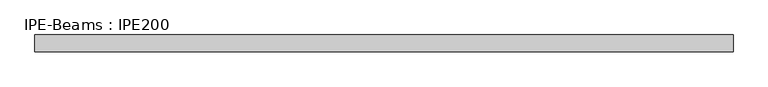
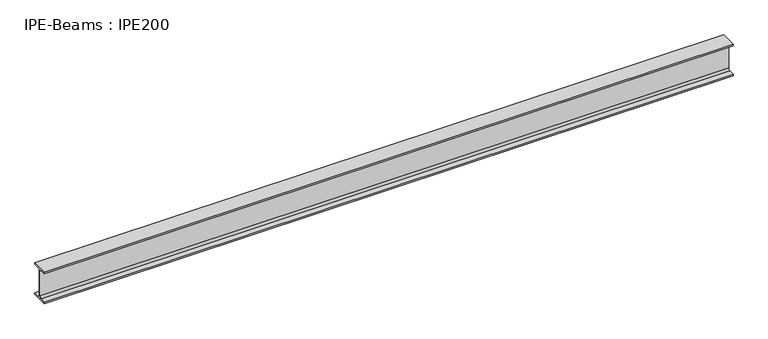
"""IFC4 building model written with IfcOpenShell, lengths in millimetres: beam geometry, IPE-Beams : IPE200."""

import ifcopenshell
import ifcopenshell.guid

model = None  # the IFC model being written
_history = None  # IfcOwnerHistory: only IFC2X3 demands one
_inside = {}  # id of a spatial element -> (the spatial element, [elements in it])
_under = {}  # id of a project, library or spatial element -> (it, [spatial elements below it])
_declared = {}  # id of a project -> (the project, [libraries it declares])
_typed = {}  # id of a type object -> (the type object, [elements of that type])
_made_of = {}  # id of a material, layer set ... -> (it, [elements and type objects made of it])


def new_model(schema):
    """Start an empty IFC model of exactly this schema.

    Asked for "IFC4X3", IfcOpenShell would pick the latest addendum, in which some entities
    have other attributes; the version numbers below select the first issue.
    IFC2X3 requires an IfcOwnerHistory on every rooted entity: one is made here for all.
    """
    global model, _history
    if schema == "IFC4X3":
        model = ifcopenshell.file(schema_version=(4, 3, 0, 0))
    else:
        model = ifcopenshell.file(schema=schema)
    _inside.clear()
    _under.clear()
    _declared.clear()
    _typed.clear()
    _made_of.clear()
    _history = None
    if model.schema == "IFC2X3":
        org = make("IfcOrganization", Name="unknown")
        user = make(
            "IfcPersonAndOrganization",
            ThePerson=make("IfcPerson", FamilyName="unknown"),
            TheOrganization=org,
        )
        app = make(
            "IfcApplication",
            ApplicationDeveloper=org,
            Version="unknown",
            ApplicationFullName="unknown",
            ApplicationIdentifier="unknown",
        )
        _history = make(
            "IfcOwnerHistory",
            OwningUser=user,
            OwningApplication=app,
            ChangeAction="ADDED",
            CreationDate=0,
        )
    return model


def make(cls, **values):
    """One entity of the class cls with the attributes given. An attribute that is None is left unset."""
    return model.create_entity(
        cls, **{name: value for name, value in values.items() if value is not None}
    )


def rooted(cls, **values):
    """An entity with a GlobalId (a new one), such as an element, a storey or a relation."""
    return make(cls, GlobalId=ifcopenshell.guid.new(), OwnerHistory=_history, **values)


def si_unit(unit_type, name, prefix=None):
    """IfcSIUnit, for example si_unit("LENGTHUNIT", "METRE", prefix="MILLI")."""
    return make("IfcSIUnit", UnitType=unit_type, Prefix=prefix, Name=name)


def assignment(units):
    """IfcUnitAssignment: the units of a project."""
    return None if units is None else make("IfcUnitAssignment", Units=units)


def point(xyz):
    """IfcCartesianPoint."""
    return None if xyz is None else make("IfcCartesianPoint", Coordinates=xyz)


def direction(xyz):
    """IfcDirection."""
    return None if xyz is None else make("IfcDirection", DirectionRatios=xyz)


def frame(location, z_axis=None, x_axis=None):
    """IfcAxis2Placement3D, a coordinate frame: its origin and axes. An axis left out is left unset."""
    return make(
        "IfcAxis2Placement3D",
        Location=point(location),
        Axis=direction(z_axis),
        RefDirection=direction(x_axis),
    )


def frame_2d(location, x_axis=None):
    """IfcAxis2Placement2D, a coordinate frame in the plane: its origin and x axis."""
    return make(
        "IfcAxis2Placement2D", Location=point(location), RefDirection=direction(x_axis)
    )


def origin():
    """The frame at (0, 0, 0) with its axes left unset."""
    return frame((0.0, 0.0, 0.0))


def place(relative_to, where):
    """IfcLocalPlacement: puts the frame where relative to a parent placement (None: the world)."""
    return make(
        "IfcLocalPlacement", PlacementRelTo=relative_to, RelativePlacement=where
    )


def context(
    kind, dimensions, precision=None, world=None, true_north=None, identifier=None
):
    """IfcGeometricRepresentationContext, for example the 3D "Model" context."""
    return make(
        "IfcGeometricRepresentationContext",
        ContextIdentifier=identifier,
        ContextType=kind,
        CoordinateSpaceDimension=dimensions,
        Precision=precision,
        WorldCoordinateSystem=world,
        TrueNorth=true_north,
    )


def project(units=None, contexts=None):
    """IfcProject with its units and contexts."""
    return rooted(
        "IfcProject",
        Name="project",
        RepresentationContexts=contexts,
        UnitsInContext=assignment(units),
    )


def spatial(cls, under=None, at=None, **own):
    """A site, building, storey or space (cls), placed at a placement, below another one or the project."""
    s = rooted(cls, ObjectPlacement=at, **own)
    if under is not None:
        _under.setdefault(under.id(), (under, []))[1].append(s)
    return s


def polyline(points):
    """IfcPolyline through the points."""
    return make("IfcPolyline", Points=[point(p) for p in points])


def circle_curve(where, radius):
    """IfcCircle in the frame where."""
    return make("IfcCircle", Position=where, Radius=radius)


def trimmed(basis, trim1, trim2, sense, master):
    """IfcTrimmedCurve: the piece of a basis curve between two trims."""
    return make(
        "IfcTrimmedCurve",
        BasisCurve=basis,
        Trim1=trim1,
        Trim2=trim2,
        SenseAgreement=sense,
        MasterRepresentation=master,
    )


def segment(curve, same_sense, transition):
    """IfcCompositeCurveSegment."""
    return make(
        "IfcCompositeCurveSegment",
        Transition=transition,
        SameSense=same_sense,
        ParentCurve=curve,
    )


def composite_curve(segments, self_intersect=None):
    """IfcCompositeCurve: segments joined end to end."""
    return make("IfcCompositeCurve", Segments=segments, SelfIntersect=self_intersect)


def outline(outer, holes=None, kind="AREA"):
    """IfcArbitraryClosedProfileDef: a profile drawn as a closed curve; with holes, ...WithVoids."""
    if holes is None:
        return make("IfcArbitraryClosedProfileDef", ProfileType=kind, OuterCurve=outer)
    return make(
        "IfcArbitraryProfileDefWithVoids",
        ProfileType=kind,
        OuterCurve=outer,
        InnerCurves=holes,
    )


def extrude(swept, where, along, depth):
    """IfcExtrudedAreaSolid: the profile swept, set in the frame where, extruded along a direction by depth."""
    return make(
        "IfcExtrudedAreaSolid",
        SweptArea=swept,
        Position=where,
        ExtrudedDirection=direction(along),
        Depth=depth,
    )


def shape(context_of_items, identifier, shape_type, items):
    """IfcShapeRepresentation: the items that make up one representation, for example the "Body"."""
    return make(
        "IfcShapeRepresentation",
        ContextOfItems=context_of_items,
        RepresentationIdentifier=identifier,
        RepresentationType=shape_type,
        Items=items,
    )


def source(mapping_origin, context_of_items, identifier, shape_type, items):
    """IfcRepresentationMap: a shape defined once, which mapped items show again and again."""
    return make(
        "IfcRepresentationMap",
        MappingOrigin=mapping_origin,
        MappedRepresentation=shape(context_of_items, identifier, shape_type, items),
    )


def transform(
    local_origin,
    x_axis=None,
    y_axis=None,
    z_axis=None,
    scale=None,
    scale2=None,
    scale3=None,
    uniform=True,
):
    """IfcCartesianTransformationOperator3D, or its non-uniform kind. x_axis, y_axis, z_axis: its Axis1, 2, 3."""
    if uniform:
        return make(
            "IfcCartesianTransformationOperator3D",
            Axis1=direction(x_axis),
            Axis2=direction(y_axis),
            LocalOrigin=point(local_origin),
            Scale=scale,
            Axis3=direction(z_axis),
        )
    return make(
        "IfcCartesianTransformationOperator3DnonUniform",
        Axis1=direction(x_axis),
        Axis2=direction(y_axis),
        LocalOrigin=point(local_origin),
        Scale=scale,
        Axis3=direction(z_axis),
        Scale2=scale2,
        Scale3=scale3,
    )


def mapped(mapping_source, mapping_target):
    """IfcMappedItem: shows the shape of a source again, moved by a transform."""
    return make(
        "IfcMappedItem", MappingSource=mapping_source, MappingTarget=mapping_target
    )


def made_of(thing, what):
    """Note that an element or type object is made of a material, layer set ...; save() writes the relation."""
    if what is not None:
        _made_of.setdefault(what.id(), (what, []))[1].append(thing)
    return thing


def element(
    cls,
    number,
    at=None,
    inside=None,
    cuts=None,
    type_object=None,
    material=None,
    context=None,
    identifier="Body",
    shape_type=None,
    held_by="IfcProductDefinitionShape",
    body=None,
    shapes=None,
    **own,
):
    """One element of the class cls, such as IfcWall. Its Tag is "e" and its number.

    at: its placement. inside: the storey or other place that contains it. cuts: it is an
    opening in that element (IfcRelVoidsElement). A single representation is given by context,
    identifier, shape_type and body (its items); several are given by shapes. held_by: the class
    of the entity that holds the representations. save() writes the other relations.
    """
    e = rooted(cls, Tag="e%d" % number, ObjectPlacement=at, **own)
    if body is not None:
        shapes = [shape(context, identifier, shape_type, body)]
    if shapes is not None:
        e.Representation = make(held_by, Representations=shapes)
    if inside is not None:
        _inside.setdefault(inside.id(), (inside, []))[1].append(e)
    if cuts is not None:
        rooted(
            "IfcRelVoidsElement", RelatingBuildingElement=cuts, RelatedOpeningElement=e
        )
    if type_object is not None:
        _typed.setdefault(type_object.id(), (type_object, []))[1].append(e)
    return made_of(e, material)


def aggregate(whole, parts):
    """IfcRelAggregates: a whole, such as a stair, and the parts it consists of."""
    return rooted("IfcRelAggregates", RelatingObject=whole, RelatedObjects=parts)


def save(model, path):
    """Write the relations noted so far, then the file.

    IfcRelAggregates (storeys below a building ...), IfcRelContainedInSpatialStructure (elements
    in a storey), IfcRelDefinesByType, IfcRelAssociatesMaterial and IfcRelDeclares: one each for
    every whole, place, type object, material and project.
    """
    for whole, parts in _under.values():
        aggregate(whole, parts)
    for where, things in _inside.values():
        rooted(
            "IfcRelContainedInSpatialStructure",
            RelatedElements=things,
            RelatingStructure=where,
        )
    for kind, things in _typed.values():
        rooted("IfcRelDefinesByType", RelatedObjects=things, RelatingType=kind)
    for what, things in _made_of.values():
        rooted("IfcRelAssociatesMaterial", RelatedObjects=things, RelatingMaterial=what)
    for by, libraries in _declared.values():
        rooted("IfcRelDeclares", RelatingContext=by, RelatedDefinitions=libraries)
    model.write(path)


def ipe_beams_ipe200_c3191c6d(model_context):
    return source(origin(), model_context, "Body", "SweptSolid", [
        extrude(outline(composite_curve([segment(polyline([(50.0, -91.5), (50.0, -100.0), (-50.0, -100.0), (-50.0, -91.5), (-14.8, -91.5)]), True, "CONTINUOUS"), segment(trimmed(circle_curve(frame_2d((-14.8, -79.5)), 12.0), [point((-14.8, -91.5))], [point((-2.8, -79.5))], True, "CARTESIAN"), True, "CONTINUOUS"), segment(polyline([(-2.8, -79.5), (-2.8, 79.5)]), True, "CONTINUOUS"), segment(trimmed(circle_curve(frame_2d((-14.8, 79.5)), 12.0), [point((-2.8, 79.5))], [point((-14.8, 91.5))], True, "CARTESIAN"), True, "CONTINUOUS"), segment(polyline([(-14.8, 91.5), (-50.0, 91.5), (-50.0, 100.0), (50.0, 100.0), (50.0, 91.5), (14.8, 91.5)]), True, "CONTINUOUS"), segment(trimmed(circle_curve(frame_2d((14.8, 79.5)), 12.0), [point((14.8, 91.5))], [point((2.8, 79.5))], True, "CARTESIAN"), True, "CONTINUOUS"), segment(polyline([(2.8, 79.5), (2.8, -79.5)]), True, "CONTINUOUS"), segment(trimmed(circle_curve(frame_2d((14.8, -79.5)), 12.0), [point((2.8, -79.5))], [point((14.8, -91.5))], True, "CARTESIAN"), True, "CONTINUOUS"), segment(polyline([(14.8, -91.5), (50.0, -91.5)]), True, "CONTINUOUS")], self_intersect=False)), frame((-2088.0, 0.0, 0.0), z_axis=(1.0, 0.0, 0.0), x_axis=(0.0, 1.0, 0.0)), (0.0, 0.0, 1.0), 4176.0),
    ])


if __name__ == "__main__":
    model = new_model("IFC4")
    model_context = context("Model", 3, world=origin())
    ifc_project = project(units=[si_unit("LENGTHUNIT", "METRE", prefix="MILLI")], contexts=[model_context])
    site = spatial("IfcSite", under=ifc_project)
    building = spatial("IfcBuilding", under=site)
    placement = place(None, origin())
    ipe_beams_ipe200_shape = ipe_beams_ipe200_c3191c6d(model_context)
    element("IfcBeam", 1, ObjectType="IPE-Beams : IPE200", at=placement, inside=building, context=model_context, shape_type="MappedRepresentation", body=[
        mapped(ipe_beams_ipe200_shape, transform((0.0, 0.0, 0.0), x_axis=(1.0, 0.0, 0.0), y_axis=(0.0, 1.0, 0.0), z_axis=(0.0, 0.0, 1.0))),
    ])
    save(model, "model.ifc")
